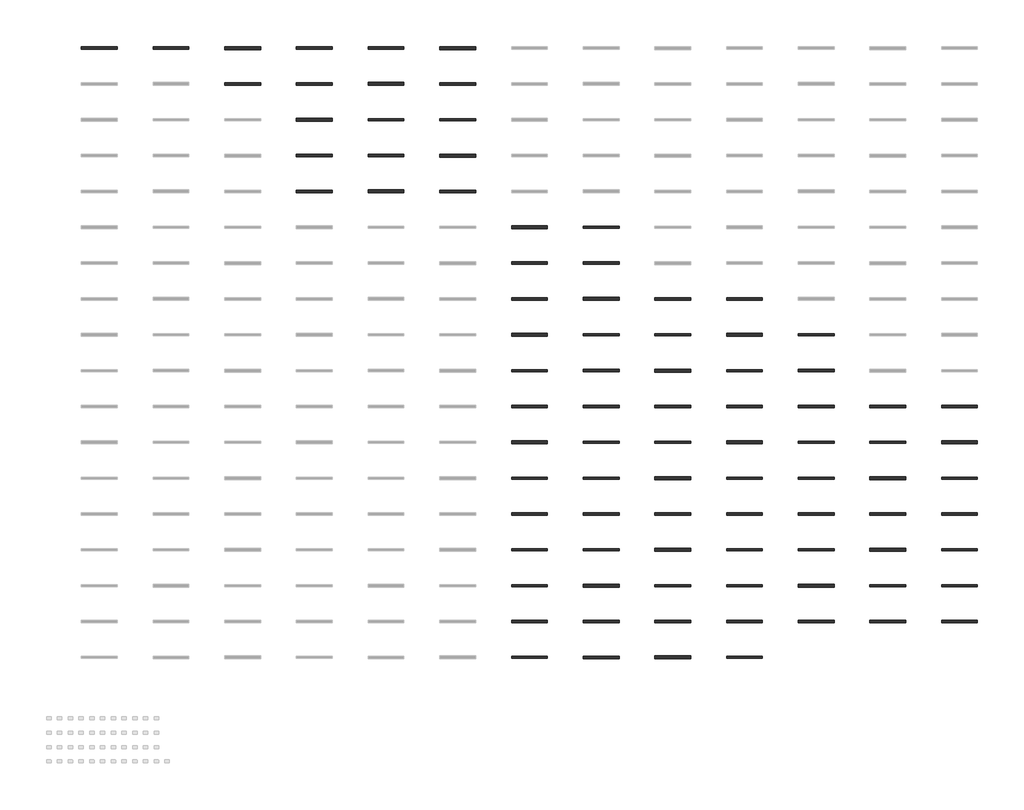
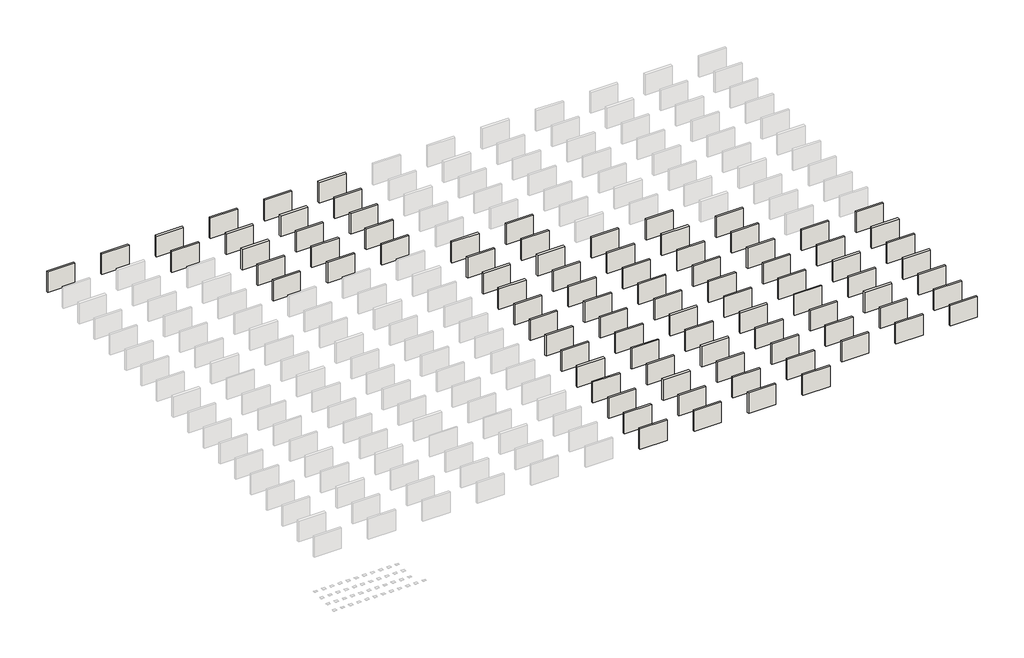
# One storey, part 2 of 3: 90 walls.
"""IFC4 building model written with IfcOpenShell, lengths in millimetres."""

from ifc_helpers import new_model, si_unit, frame, origin, place, context, project, spatial, polyline, outline, extrude, element, save

model = new_model("IFC4")

# Units and contexts
model_context = context("Model", 3, world=origin())
ifc_project = project(units=[si_unit("LENGTHUNIT", "METRE", prefix="MILLI")], contexts=[model_context])

# Site, building, storey
site = spatial("IfcSite", under=ifc_project)
building = spatial("IfcBuilding", under=site)
storey = spatial("IfcBuildingStorey", under=building, Elevation=3048.0)

# Walls
placement = place(None, origin())
element("IfcWall", 1, at=placement, inside=storey, context=model_context, shape_type="SweptSolid", body=[
    extrude(outline(polyline([(-29485.7977715, -35006.1068116), (-32533.7977715, -35006.1068116), (-32533.7977715, -34809.2060103), (-29485.7977715, -34809.2060103), (-29485.7977715, -35006.1068116)])), frame((0.0, 0.0, 3048.0), z_axis=(0.0, 0.0, 1.0), x_axis=(1.0, 0.0, 0.0)), (0.0, 0.0, 1.0), 2438.4),
])
element("IfcWall", 2, at=placement, inside=storey, context=model_context, shape_type="SweptSolid", body=[
    extrude(outline(polyline([(-23389.7977715, -35010.8693116), (-26437.7977715, -35010.8693116), (-26437.7977715, -34804.4435103), (-23389.7977715, -34804.4435103), (-23389.7977715, -35010.8693116)])), frame((0.0, 0.0, 3048.0), z_axis=(0.0, 0.0, 1.0), x_axis=(1.0, 0.0, 0.0)), (0.0, 0.0, 1.0), 2438.4),
])
element("IfcWall", 3, at=placement, inside=storey, context=model_context, shape_type="SweptSolid", body=[
    extrude(outline(polyline([(-17293.7977715, -35036.2693147), (-20341.7977715, -35036.2693147), (-20341.7977715, -34779.0435073), (-17293.7977715, -34779.0435073), (-17293.7977715, -35036.2693147)])), frame((0.0, 0.0, 3048.0), z_axis=(0.0, 0.0, 1.0), x_axis=(1.0, 0.0, 0.0)), (0.0, 0.0, 1.0), 2438.4),
])
element("IfcWall", 4, at=placement, inside=storey, context=model_context, shape_type="SweptSolid", body=[
    extrude(outline(polyline([(-11197.7977715, -35006.1068116), (-14245.7977715, -35006.1068116), (-14245.7977715, -34809.2060103), (-11197.7977715, -34809.2060103), (-11197.7977715, -35006.1068116)])), frame((0.0, 0.0, 3048.0), z_axis=(0.0, 0.0, 1.0), x_axis=(1.0, 0.0, 0.0)), (0.0, 0.0, 1.0), 2438.4),
])
element("IfcWall", 5, at=placement, inside=storey, context=model_context, shape_type="SweptSolid", body=[
    extrude(outline(polyline([(-5101.7977715, -35010.8693116), (-8149.7977715, -35010.8693116), (-8149.7977715, -34804.4435103), (-5101.7977715, -34804.4435103), (-5101.7977715, -35010.8693116)])), frame((0.0, 0.0, 3048.0), z_axis=(0.0, 0.0, 1.0), x_axis=(1.0, 0.0, 0.0)), (0.0, 0.0, 1.0), 2438.4),
])
element("IfcWall", 6, at=placement, inside=storey, context=model_context, shape_type="SweptSolid", body=[
    extrude(outline(polyline([(994.2022285, -35036.2693147), (-2053.7977715, -35036.2693147), (-2053.7977715, -34779.0435073), (994.2022285, -34779.0435073), (994.2022285, -35036.2693147)])), frame((0.0, 0.0, 3048.0), z_axis=(0.0, 0.0, 1.0), x_axis=(1.0, 0.0, 0.0)), (0.0, 0.0, 1.0), 2438.4),
])
element("IfcWall", 7, at=placement, inside=storey, context=model_context, shape_type="SweptSolid", body=[
    extrude(outline(polyline([(-17293.7977715, -38054.1068116), (-20341.7977715, -38054.1068116), (-20341.7977715, -37857.2060103), (-17293.7977715, -37857.2060103), (-17293.7977715, -38054.1068116)])), frame((0.0, 0.0, 3048.0), z_axis=(0.0, 0.0, 1.0), x_axis=(1.0, 0.0, 0.0)), (0.0, 0.0, 1.0), 2438.4),
])
element("IfcWall", 8, at=placement, inside=storey, context=model_context, shape_type="SweptSolid", body=[
    extrude(outline(polyline([(-11197.7977715, -38058.8693116), (-14245.7977715, -38058.8693116), (-14245.7977715, -37852.4435103), (-11197.7977715, -37852.4435103), (-11197.7977715, -38058.8693116)])), frame((0.0, 0.0, 3048.0), z_axis=(0.0, 0.0, 1.0), x_axis=(1.0, 0.0, 0.0)), (0.0, 0.0, 1.0), 2438.4),
])
element("IfcWall", 9, at=placement, inside=storey, context=model_context, shape_type="SweptSolid", body=[
    extrude(outline(polyline([(-5101.7977715, -38084.2693147), (-8149.7977715, -38084.2693147), (-8149.7977715, -37827.0435073), (-5101.7977715, -37827.0435073), (-5101.7977715, -38084.2693147)])), frame((0.0, 0.0, 3048.0), z_axis=(0.0, 0.0, 1.0), x_axis=(1.0, 0.0, 0.0)), (0.0, 0.0, 1.0), 2438.4),
])
element("IfcWall", 10, at=placement, inside=storey, context=model_context, shape_type="SweptSolid", body=[
    extrude(outline(polyline([(994.2022285, -38054.1068116), (-2053.7977715, -38054.1068116), (-2053.7977715, -37857.2060103), (994.2022285, -37857.2060103), (994.2022285, -38054.1068116)])), frame((0.0, 0.0, 3048.0), z_axis=(0.0, 0.0, 1.0), x_axis=(1.0, 0.0, 0.0)), (0.0, 0.0, 1.0), 2438.4),
])
element("IfcWall", 11, at=placement, inside=storey, context=model_context, shape_type="SweptSolid", body=[
    extrude(outline(polyline([(-11197.7977715, -41132.2693147), (-14245.7977715, -41132.2693147), (-14245.7977715, -40875.0435073), (-11197.7977715, -40875.0435073), (-11197.7977715, -41132.2693147)])), frame((0.0, 0.0, 3048.0), z_axis=(0.0, 0.0, 1.0), x_axis=(1.0, 0.0, 0.0)), (0.0, 0.0, 1.0), 2438.4),
])
element("IfcWall", 12, at=placement, inside=storey, context=model_context, shape_type="SweptSolid", body=[
    extrude(outline(polyline([(-5101.7977715, -41102.1068116), (-8149.7977715, -41102.1068116), (-8149.7977715, -40905.2060103), (-5101.7977715, -40905.2060103), (-5101.7977715, -41102.1068116)])), frame((0.0, 0.0, 3048.0), z_axis=(0.0, 0.0, 1.0), x_axis=(1.0, 0.0, 0.0)), (0.0, 0.0, 1.0), 2438.4),
])
element("IfcWall", 13, at=placement, inside=storey, context=model_context, shape_type="SweptSolid", body=[
    extrude(outline(polyline([(994.2022285, -41106.8693116), (-2053.7977715, -41106.8693116), (-2053.7977715, -40900.4435103), (994.2022285, -40900.4435103), (994.2022285, -41106.8693116)])), frame((0.0, 0.0, 3048.0), z_axis=(0.0, 0.0, 1.0), x_axis=(1.0, 0.0, 0.0)), (0.0, 0.0, 1.0), 2438.4),
])
element("IfcWall", 14, at=placement, inside=storey, context=model_context, shape_type="SweptSolid", body=[
    extrude(outline(polyline([(-11197.7977715, -44150.1068116), (-14245.7977715, -44150.1068116), (-14245.7977715, -43953.2060103), (-11197.7977715, -43953.2060103), (-11197.7977715, -44150.1068116)])), frame((0.0, 0.0, 3048.0), z_axis=(0.0, 0.0, 1.0), x_axis=(1.0, 0.0, 0.0)), (0.0, 0.0, 1.0), 2438.4),
])
element("IfcWall", 15, at=placement, inside=storey, context=model_context, shape_type="SweptSolid", body=[
    extrude(outline(polyline([(-5101.7977715, -44154.8693116), (-8149.7977715, -44154.8693116), (-8149.7977715, -43948.4435103), (-5101.7977715, -43948.4435103), (-5101.7977715, -44154.8693116)])), frame((0.0, 0.0, 3048.0), z_axis=(0.0, 0.0, 1.0), x_axis=(1.0, 0.0, 0.0)), (0.0, 0.0, 1.0), 2438.4),
])
element("IfcWall", 16, at=placement, inside=storey, context=model_context, shape_type="SweptSolid", body=[
    extrude(outline(polyline([(994.2022285, -44180.2693147), (-2053.7977715, -44180.2693147), (-2053.7977715, -43923.0435073), (994.2022285, -43923.0435073), (994.2022285, -44180.2693147)])), frame((0.0, 0.0, 3048.0), z_axis=(0.0, 0.0, 1.0), x_axis=(1.0, 0.0, 0.0)), (0.0, 0.0, 1.0), 2438.4),
])
element("IfcWall", 17, at=placement, inside=storey, context=model_context, shape_type="SweptSolid", body=[
    extrude(outline(polyline([(-11197.7977715, -47202.8693116), (-14245.7977715, -47202.8693116), (-14245.7977715, -46996.4435103), (-11197.7977715, -46996.4435103), (-11197.7977715, -47202.8693116)])), frame((0.0, 0.0, 3048.0), z_axis=(0.0, 0.0, 1.0), x_axis=(1.0, 0.0, 0.0)), (0.0, 0.0, 1.0), 2438.4),
])
element("IfcWall", 18, at=placement, inside=storey, context=model_context, shape_type="SweptSolid", body=[
    extrude(outline(polyline([(-5101.7977715, -47228.2693147), (-8149.7977715, -47228.2693147), (-8149.7977715, -46971.0435073), (-5101.7977715, -46971.0435073), (-5101.7977715, -47228.2693147)])), frame((0.0, 0.0, 3048.0), z_axis=(0.0, 0.0, 1.0), x_axis=(1.0, 0.0, 0.0)), (0.0, 0.0, 1.0), 2438.4),
])
element("IfcWall", 19, at=placement, inside=storey, context=model_context, shape_type="SweptSolid", body=[
    extrude(outline(polyline([(994.2022285, -47198.1068116), (-2053.7977715, -47198.1068116), (-2053.7977715, -47001.2060103), (994.2022285, -47001.2060103), (994.2022285, -47198.1068116)])), frame((0.0, 0.0, 3048.0), z_axis=(0.0, 0.0, 1.0), x_axis=(1.0, 0.0, 0.0)), (0.0, 0.0, 1.0), 2438.4),
])
element("IfcWall", 20, at=placement, inside=storey, context=model_context, shape_type="SweptSolid", body=[
    extrude(outline(polyline([(7090.2022285, -50276.2693147), (4042.2022285, -50276.2693147), (4042.2022285, -50019.0435073), (7090.2022285, -50019.0435073), (7090.2022285, -50276.2693147)])), frame((0.0, 0.0, 3048.0), z_axis=(0.0, 0.0, 1.0), x_axis=(1.0, 0.0, 0.0)), (0.0, 0.0, 1.0), 2438.4),
])
element("IfcWall", 21, at=placement, inside=storey, context=model_context, shape_type="SweptSolid", body=[
    extrude(outline(polyline([(13186.2022285, -50246.1068116), (10138.2022285, -50246.1068116), (10138.2022285, -50049.2060103), (13186.2022285, -50049.2060103), (13186.2022285, -50246.1068116)])), frame((0.0, 0.0, 3048.0), z_axis=(0.0, 0.0, 1.0), x_axis=(1.0, 0.0, 0.0)), (0.0, 0.0, 1.0), 2438.4),
])
element("IfcWall", 22, at=placement, inside=storey, context=model_context, shape_type="SweptSolid", body=[
    extrude(outline(polyline([(7090.2022285, -53294.1068116), (4042.2022285, -53294.1068116), (4042.2022285, -53097.2060103), (7090.2022285, -53097.2060103), (7090.2022285, -53294.1068116)])), frame((0.0, 0.0, 3048.0), z_axis=(0.0, 0.0, 1.0), x_axis=(1.0, 0.0, 0.0)), (0.0, 0.0, 1.0), 2438.4),
])
element("IfcWall", 23, at=placement, inside=storey, context=model_context, shape_type="SweptSolid", body=[
    extrude(outline(polyline([(13186.2022285, -53298.8693116), (10138.2022285, -53298.8693116), (10138.2022285, -53092.4435103), (13186.2022285, -53092.4435103), (13186.2022285, -53298.8693116)])), frame((0.0, 0.0, 3048.0), z_axis=(0.0, 0.0, 1.0), x_axis=(1.0, 0.0, 0.0)), (0.0, 0.0, 1.0), 2438.4),
])
element("IfcWall", 24, at=placement, inside=storey, context=model_context, shape_type="SweptSolid", body=[
    extrude(outline(polyline([(7090.2022285, -56346.8693116), (4042.2022285, -56346.8693116), (4042.2022285, -56140.4435103), (7090.2022285, -56140.4435103), (7090.2022285, -56346.8693116)])), frame((0.0, 0.0, 3048.0), z_axis=(0.0, 0.0, 1.0), x_axis=(1.0, 0.0, 0.0)), (0.0, 0.0, 1.0), 2438.4),
])
element("IfcWall", 25, at=placement, inside=storey, context=model_context, shape_type="SweptSolid", body=[
    extrude(outline(polyline([(13186.2022285, -56372.2693147), (10138.2022285, -56372.2693147), (10138.2022285, -56115.0435073), (13186.2022285, -56115.0435073), (13186.2022285, -56372.2693147)])), frame((0.0, 0.0, 3048.0), z_axis=(0.0, 0.0, 1.0), x_axis=(1.0, 0.0, 0.0)), (0.0, 0.0, 1.0), 2438.4),
])
element("IfcWall", 26, at=placement, inside=storey, context=model_context, shape_type="SweptSolid", body=[
    extrude(outline(polyline([(19282.2022285, -56342.1068116), (16234.2022285, -56342.1068116), (16234.2022285, -56145.2060103), (19282.2022285, -56145.2060103), (19282.2022285, -56342.1068116)])), frame((0.0, 0.0, 3048.0), z_axis=(0.0, 0.0, 1.0), x_axis=(1.0, 0.0, 0.0)), (0.0, 0.0, 1.0), 2438.4),
])
element("IfcWall", 27, at=placement, inside=storey, context=model_context, shape_type="SweptSolid", body=[
    extrude(outline(polyline([(25378.2022285, -56346.8693116), (22330.2022285, -56346.8693116), (22330.2022285, -56140.4435103), (25378.2022285, -56140.4435103), (25378.2022285, -56346.8693116)])), frame((0.0, 0.0, 3048.0), z_axis=(0.0, 0.0, 1.0), x_axis=(1.0, 0.0, 0.0)), (0.0, 0.0, 1.0), 2438.4),
])
element("IfcWall", 28, at=placement, inside=storey, context=model_context, shape_type="SweptSolid", body=[
    extrude(outline(polyline([(7090.2022285, -59413.8939146), (4042.2022285, -59413.8939146), (4042.2022285, -59169.4189073), (7090.2022285, -59169.4189073), (7090.2022285, -59413.8939146)])), frame((0.0, 0.0, 3048.0), z_axis=(0.0, 0.0, 1.0), x_axis=(1.0, 0.0, 0.0)), (0.0, 0.0, 1.0), 2438.4),
])
element("IfcWall", 29, at=placement, inside=storey, context=model_context, shape_type="SweptSolid", body=[
    extrude(outline(polyline([(13186.2022285, -59383.7314116), (10138.2022285, -59383.7314116), (10138.2022285, -59199.5814104), (13186.2022285, -59199.5814104), (13186.2022285, -59383.7314116)])), frame((0.0, 0.0, 3048.0), z_axis=(0.0, 0.0, 1.0), x_axis=(1.0, 0.0, 0.0)), (0.0, 0.0, 1.0), 2438.4),
])
element("IfcWall", 30, at=placement, inside=storey, context=model_context, shape_type="SweptSolid", body=[
    extrude(outline(polyline([(19282.2022285, -59388.4939116), (16234.2022285, -59388.4939116), (16234.2022285, -59194.8189104), (19282.2022285, -59194.8189104), (19282.2022285, -59388.4939116)])), frame((0.0, 0.0, 3048.0), z_axis=(0.0, 0.0, 1.0), x_axis=(1.0, 0.0, 0.0)), (0.0, 0.0, 1.0), 2438.4),
])
element("IfcWall", 31, at=placement, inside=storey, context=model_context, shape_type="SweptSolid", body=[
    extrude(outline(polyline([(25378.2022285, -59413.8939146), (22330.2022285, -59413.8939146), (22330.2022285, -59169.4189073), (25378.2022285, -59169.4189073), (25378.2022285, -59413.8939146)])), frame((0.0, 0.0, 3048.0), z_axis=(0.0, 0.0, 1.0), x_axis=(1.0, 0.0, 0.0)), (0.0, 0.0, 1.0), 2438.4),
])
element("IfcWall", 32, at=placement, inside=storey, context=model_context, shape_type="SweptSolid", body=[
    extrude(outline(polyline([(31474.2022285, -59383.7314116), (28426.2022285, -59383.7314116), (28426.2022285, -59199.5814104), (31474.2022285, -59199.5814104), (31474.2022285, -59383.7314116)])), frame((0.0, 0.0, 3048.0), z_axis=(0.0, 0.0, 1.0), x_axis=(1.0, 0.0, 0.0)), (0.0, 0.0, 1.0), 2438.4),
])
element("IfcWall", 33, at=placement, inside=storey, context=model_context, shape_type="SweptSolid", body=[
    extrude(outline(polyline([(7090.2022285, -62431.7314116), (4042.2022285, -62431.7314116), (4042.2022285, -62247.5814104), (7090.2022285, -62247.5814104), (7090.2022285, -62431.7314116)])), frame((0.0, 0.0, 3048.0), z_axis=(0.0, 0.0, 1.0), x_axis=(1.0, 0.0, 0.0)), (0.0, 0.0, 1.0), 2438.4),
])
element("IfcWall", 34, at=placement, inside=storey, context=model_context, shape_type="SweptSolid", body=[
    extrude(outline(polyline([(13186.2022285, -62436.4939116), (10138.2022285, -62436.4939116), (10138.2022285, -62242.8189104), (13186.2022285, -62242.8189104), (13186.2022285, -62436.4939116)])), frame((0.0, 0.0, 3048.0), z_axis=(0.0, 0.0, 1.0), x_axis=(1.0, 0.0, 0.0)), (0.0, 0.0, 1.0), 2438.4),
])
element("IfcWall", 35, at=placement, inside=storey, context=model_context, shape_type="SweptSolid", body=[
    extrude(outline(polyline([(19282.2022285, -62461.8939146), (16234.2022285, -62461.8939146), (16234.2022285, -62217.4189073), (19282.2022285, -62217.4189073), (19282.2022285, -62461.8939146)])), frame((0.0, 0.0, 3048.0), z_axis=(0.0, 0.0, 1.0), x_axis=(1.0, 0.0, 0.0)), (0.0, 0.0, 1.0), 2438.4),
])
element("IfcWall", 36, at=placement, inside=storey, context=model_context, shape_type="SweptSolid", body=[
    extrude(outline(polyline([(25378.2022285, -62431.7314116), (22330.2022285, -62431.7314116), (22330.2022285, -62247.5814104), (25378.2022285, -62247.5814104), (25378.2022285, -62431.7314116)])), frame((0.0, 0.0, 3048.0), z_axis=(0.0, 0.0, 1.0), x_axis=(1.0, 0.0, 0.0)), (0.0, 0.0, 1.0), 2438.4),
])
element("IfcWall", 37, at=placement, inside=storey, context=model_context, shape_type="SweptSolid", body=[
    extrude(outline(polyline([(31474.2022285, -62436.4939116), (28426.2022285, -62436.4939116), (28426.2022285, -62242.8189104), (31474.2022285, -62242.8189104), (31474.2022285, -62436.4939116)])), frame((0.0, 0.0, 3048.0), z_axis=(0.0, 0.0, 1.0), x_axis=(1.0, 0.0, 0.0)), (0.0, 0.0, 1.0), 2438.4),
])
element("IfcWall", 38, at=placement, inside=storey, context=model_context, shape_type="SweptSolid", body=[
    extrude(outline(polyline([(7090.2022285, -65484.4939116), (4042.2022285, -65484.4939116), (4042.2022285, -65290.8189104), (7090.2022285, -65290.8189104), (7090.2022285, -65484.4939116)])), frame((0.0, 0.0, 3048.0), z_axis=(0.0, 0.0, 1.0), x_axis=(1.0, 0.0, 0.0)), (0.0, 0.0, 1.0), 2438.4),
])
element("IfcWall", 39, at=placement, inside=storey, context=model_context, shape_type="SweptSolid", body=[
    extrude(outline(polyline([(13186.2022285, -65509.8939146), (10138.2022285, -65509.8939146), (10138.2022285, -65265.4189073), (13186.2022285, -65265.4189073), (13186.2022285, -65509.8939146)])), frame((0.0, 0.0, 3048.0), z_axis=(0.0, 0.0, 1.0), x_axis=(1.0, 0.0, 0.0)), (0.0, 0.0, 1.0), 2438.4),
])
element("IfcWall", 40, at=placement, inside=storey, context=model_context, shape_type="SweptSolid", body=[
    extrude(outline(polyline([(19282.2022285, -65479.7314116), (16234.2022285, -65479.7314116), (16234.2022285, -65295.5814104), (19282.2022285, -65295.5814104), (19282.2022285, -65479.7314116)])), frame((0.0, 0.0, 3048.0), z_axis=(0.0, 0.0, 1.0), x_axis=(1.0, 0.0, 0.0)), (0.0, 0.0, 1.0), 2438.4),
])
element("IfcWall", 41, at=placement, inside=storey, context=model_context, shape_type="SweptSolid", body=[
    extrude(outline(polyline([(25378.2022285, -65484.4939116), (22330.2022285, -65484.4939116), (22330.2022285, -65290.8189104), (25378.2022285, -65290.8189104), (25378.2022285, -65484.4939116)])), frame((0.0, 0.0, 3048.0), z_axis=(0.0, 0.0, 1.0), x_axis=(1.0, 0.0, 0.0)), (0.0, 0.0, 1.0), 2438.4),
])
element("IfcWall", 42, at=placement, inside=storey, context=model_context, shape_type="SweptSolid", body=[
    extrude(outline(polyline([(31474.2022285, -65509.8939146), (28426.2022285, -65509.8939146), (28426.2022285, -65265.4189073), (31474.2022285, -65265.4189073), (31474.2022285, -65509.8939146)])), frame((0.0, 0.0, 3048.0), z_axis=(0.0, 0.0, 1.0), x_axis=(1.0, 0.0, 0.0)), (0.0, 0.0, 1.0), 2438.4),
])
element("IfcWall", 43, at=placement, inside=storey, context=model_context, shape_type="SweptSolid", body=[
    extrude(outline(polyline([(37570.2022285, -65479.7314116), (34522.2022285, -65479.7314116), (34522.2022285, -65295.5814104), (37570.2022285, -65295.5814104), (37570.2022285, -65479.7314116)])), frame((0.0, 0.0, 3048.0), z_axis=(0.0, 0.0, 1.0), x_axis=(1.0, 0.0, 0.0)), (0.0, 0.0, 1.0), 2438.4),
])
element("IfcWall", 44, at=placement, inside=storey, context=model_context, shape_type="SweptSolid", body=[
    extrude(outline(polyline([(43666.2022285, -65484.4939116), (40618.2022285, -65484.4939116), (40618.2022285, -65290.8189104), (43666.2022285, -65290.8189104), (43666.2022285, -65484.4939116)])), frame((0.0, 0.0, 3048.0), z_axis=(0.0, 0.0, 1.0), x_axis=(1.0, 0.0, 0.0)), (0.0, 0.0, 1.0), 2438.4),
])
element("IfcWall", 45, at=placement, inside=storey, context=model_context, shape_type="SweptSolid", body=[
    extrude(outline(polyline([(7090.2022285, -68557.8939146), (4042.2022285, -68557.8939146), (4042.2022285, -68313.4189073), (7090.2022285, -68313.4189073), (7090.2022285, -68557.8939146)])), frame((0.0, 0.0, 3048.0), z_axis=(0.0, 0.0, 1.0), x_axis=(1.0, 0.0, 0.0)), (0.0, 0.0, 1.0), 2438.4),
])
element("IfcWall", 46, at=placement, inside=storey, context=model_context, shape_type="SweptSolid", body=[
    extrude(outline(polyline([(13186.2022285, -68527.7314116), (10138.2022285, -68527.7314116), (10138.2022285, -68343.5814104), (13186.2022285, -68343.5814104), (13186.2022285, -68527.7314116)])), frame((0.0, 0.0, 3048.0), z_axis=(0.0, 0.0, 1.0), x_axis=(1.0, 0.0, 0.0)), (0.0, 0.0, 1.0), 2438.4),
])
element("IfcWall", 47, at=placement, inside=storey, context=model_context, shape_type="SweptSolid", body=[
    extrude(outline(polyline([(19282.2022285, -68532.4939116), (16234.2022285, -68532.4939116), (16234.2022285, -68338.8189104), (19282.2022285, -68338.8189104), (19282.2022285, -68532.4939116)])), frame((0.0, 0.0, 3048.0), z_axis=(0.0, 0.0, 1.0), x_axis=(1.0, 0.0, 0.0)), (0.0, 0.0, 1.0), 2438.4),
])
element("IfcWall", 48, at=placement, inside=storey, context=model_context, shape_type="SweptSolid", body=[
    extrude(outline(polyline([(25378.2022285, -68557.8939146), (22330.2022285, -68557.8939146), (22330.2022285, -68313.4189073), (25378.2022285, -68313.4189073), (25378.2022285, -68557.8939146)])), frame((0.0, 0.0, 3048.0), z_axis=(0.0, 0.0, 1.0), x_axis=(1.0, 0.0, 0.0)), (0.0, 0.0, 1.0), 2438.4),
])
element("IfcWall", 49, at=placement, inside=storey, context=model_context, shape_type="SweptSolid", body=[
    extrude(outline(polyline([(31474.2022285, -68527.7314116), (28426.2022285, -68527.7314116), (28426.2022285, -68343.5814104), (31474.2022285, -68343.5814104), (31474.2022285, -68527.7314116)])), frame((0.0, 0.0, 3048.0), z_axis=(0.0, 0.0, 1.0), x_axis=(1.0, 0.0, 0.0)), (0.0, 0.0, 1.0), 2438.4),
])
element("IfcWall", 50, at=placement, inside=storey, context=model_context, shape_type="SweptSolid", body=[
    extrude(outline(polyline([(37570.2022285, -68532.4939116), (34522.2022285, -68532.4939116), (34522.2022285, -68338.8189104), (37570.2022285, -68338.8189104), (37570.2022285, -68532.4939116)])), frame((0.0, 0.0, 3048.0), z_axis=(0.0, 0.0, 1.0), x_axis=(1.0, 0.0, 0.0)), (0.0, 0.0, 1.0), 2438.4),
])
element("IfcWall", 51, at=placement, inside=storey, context=model_context, shape_type="SweptSolid", body=[
    extrude(outline(polyline([(43666.2022285, -68557.8939146), (40618.2022285, -68557.8939146), (40618.2022285, -68313.4189073), (43666.2022285, -68313.4189073), (43666.2022285, -68557.8939146)])), frame((0.0, 0.0, 3048.0), z_axis=(0.0, 0.0, 1.0), x_axis=(1.0, 0.0, 0.0)), (0.0, 0.0, 1.0), 2438.4),
])
element("IfcWall", 52, at=placement, inside=storey, context=model_context, shape_type="SweptSolid", body=[
    extrude(outline(polyline([(7090.2022285, -71575.7314116), (4042.2022285, -71575.7314116), (4042.2022285, -71391.5814104), (7090.2022285, -71391.5814104), (7090.2022285, -71575.7314116)])), frame((0.0, 0.0, 3048.0), z_axis=(0.0, 0.0, 1.0), x_axis=(1.0, 0.0, 0.0)), (0.0, 0.0, 1.0), 2438.4),
])
element("IfcWall", 53, at=placement, inside=storey, context=model_context, shape_type="SweptSolid", body=[
    extrude(outline(polyline([(13186.2022285, -71580.4939116), (10138.2022285, -71580.4939116), (10138.2022285, -71386.8189104), (13186.2022285, -71386.8189104), (13186.2022285, -71580.4939116)])), frame((0.0, 0.0, 3048.0), z_axis=(0.0, 0.0, 1.0), x_axis=(1.0, 0.0, 0.0)), (0.0, 0.0, 1.0), 2438.4),
])
element("IfcWall", 54, at=placement, inside=storey, context=model_context, shape_type="SweptSolid", body=[
    extrude(outline(polyline([(19282.2022285, -71605.8939146), (16234.2022285, -71605.8939146), (16234.2022285, -71361.4189073), (19282.2022285, -71361.4189073), (19282.2022285, -71605.8939146)])), frame((0.0, 0.0, 3048.0), z_axis=(0.0, 0.0, 1.0), x_axis=(1.0, 0.0, 0.0)), (0.0, 0.0, 1.0), 2438.4),
])
element("IfcWall", 55, at=placement, inside=storey, context=model_context, shape_type="SweptSolid", body=[
    extrude(outline(polyline([(25378.2022285, -71575.7314116), (22330.2022285, -71575.7314116), (22330.2022285, -71391.5814104), (25378.2022285, -71391.5814104), (25378.2022285, -71575.7314116)])), frame((0.0, 0.0, 3048.0), z_axis=(0.0, 0.0, 1.0), x_axis=(1.0, 0.0, 0.0)), (0.0, 0.0, 1.0), 2438.4),
])
element("IfcWall", 56, at=placement, inside=storey, context=model_context, shape_type="SweptSolid", body=[
    extrude(outline(polyline([(31474.2022285, -71580.4939116), (28426.2022285, -71580.4939116), (28426.2022285, -71386.8189104), (31474.2022285, -71386.8189104), (31474.2022285, -71580.4939116)])), frame((0.0, 0.0, 3048.0), z_axis=(0.0, 0.0, 1.0), x_axis=(1.0, 0.0, 0.0)), (0.0, 0.0, 1.0), 2438.4),
])
element("IfcWall", 57, at=placement, inside=storey, context=model_context, shape_type="SweptSolid", body=[
    extrude(outline(polyline([(37570.2022285, -71605.8939146), (34522.2022285, -71605.8939146), (34522.2022285, -71361.4189073), (37570.2022285, -71361.4189073), (37570.2022285, -71605.8939146)])), frame((0.0, 0.0, 3048.0), z_axis=(0.0, 0.0, 1.0), x_axis=(1.0, 0.0, 0.0)), (0.0, 0.0, 1.0), 2438.4),
])
element("IfcWall", 58, at=placement, inside=storey, context=model_context, shape_type="SweptSolid", body=[
    extrude(outline(polyline([(43666.2022285, -71575.7314116), (40618.2022285, -71575.7314116), (40618.2022285, -71391.5814104), (43666.2022285, -71391.5814104), (43666.2022285, -71575.7314116)])), frame((0.0, 0.0, 3048.0), z_axis=(0.0, 0.0, 1.0), x_axis=(1.0, 0.0, 0.0)), (0.0, 0.0, 1.0), 2438.4),
])
element("IfcWall", 59, at=placement, inside=storey, context=model_context, shape_type="SweptSolid", body=[
    extrude(outline(polyline([(7090.2022285, -74653.8939146), (4042.2022285, -74653.8939146), (4042.2022285, -74409.4189073), (7090.2022285, -74409.4189073), (7090.2022285, -74653.8939146)])), frame((0.0, 0.0, 3048.0), z_axis=(0.0, 0.0, 1.0), x_axis=(1.0, 0.0, 0.0)), (0.0, 0.0, 1.0), 2438.4),
])
element("IfcWall", 60, at=placement, inside=storey, context=model_context, shape_type="SweptSolid", body=[
    extrude(outline(polyline([(13186.2022285, -74623.7314116), (10138.2022285, -74623.7314116), (10138.2022285, -74439.5814104), (13186.2022285, -74439.5814104), (13186.2022285, -74623.7314116)])), frame((0.0, 0.0, 3048.0), z_axis=(0.0, 0.0, 1.0), x_axis=(1.0, 0.0, 0.0)), (0.0, 0.0, 1.0), 2438.4),
])
element("IfcWall", 61, at=placement, inside=storey, context=model_context, shape_type="SweptSolid", body=[
    extrude(outline(polyline([(19282.2022285, -74628.4939116), (16234.2022285, -74628.4939116), (16234.2022285, -74434.8189104), (19282.2022285, -74434.8189104), (19282.2022285, -74628.4939116)])), frame((0.0, 0.0, 3048.0), z_axis=(0.0, 0.0, 1.0), x_axis=(1.0, 0.0, 0.0)), (0.0, 0.0, 1.0), 2438.4),
])
element("IfcWall", 62, at=placement, inside=storey, context=model_context, shape_type="SweptSolid", body=[
    extrude(outline(polyline([(25378.2022285, -74653.8939146), (22330.2022285, -74653.8939146), (22330.2022285, -74409.4189073), (25378.2022285, -74409.4189073), (25378.2022285, -74653.8939146)])), frame((0.0, 0.0, 3048.0), z_axis=(0.0, 0.0, 1.0), x_axis=(1.0, 0.0, 0.0)), (0.0, 0.0, 1.0), 2438.4),
])
element("IfcWall", 63, at=placement, inside=storey, context=model_context, shape_type="SweptSolid", body=[
    extrude(outline(polyline([(31474.2022285, -74623.7314116), (28426.2022285, -74623.7314116), (28426.2022285, -74439.5814104), (31474.2022285, -74439.5814104), (31474.2022285, -74623.7314116)])), frame((0.0, 0.0, 3048.0), z_axis=(0.0, 0.0, 1.0), x_axis=(1.0, 0.0, 0.0)), (0.0, 0.0, 1.0), 2438.4),
])
element("IfcWall", 64, at=placement, inside=storey, context=model_context, shape_type="SweptSolid", body=[
    extrude(outline(polyline([(37570.2022285, -74628.4939116), (34522.2022285, -74628.4939116), (34522.2022285, -74434.8189104), (37570.2022285, -74434.8189104), (37570.2022285, -74628.4939116)])), frame((0.0, 0.0, 3048.0), z_axis=(0.0, 0.0, 1.0), x_axis=(1.0, 0.0, 0.0)), (0.0, 0.0, 1.0), 2438.4),
])
element("IfcWall", 65, at=placement, inside=storey, context=model_context, shape_type="SweptSolid", body=[
    extrude(outline(polyline([(43666.2022285, -74653.8939146), (40618.2022285, -74653.8939146), (40618.2022285, -74409.4189073), (43666.2022285, -74409.4189073), (43666.2022285, -74653.8939146)])), frame((0.0, 0.0, 3048.0), z_axis=(0.0, 0.0, 1.0), x_axis=(1.0, 0.0, 0.0)), (0.0, 0.0, 1.0), 2438.4),
])
element("IfcWall", 66, at=placement, inside=storey, context=model_context, shape_type="SweptSolid", body=[
    extrude(outline(polyline([(7090.2022285, -77671.7314116), (4042.2022285, -77671.7314116), (4042.2022285, -77487.5814104), (7090.2022285, -77487.5814104), (7090.2022285, -77671.7314116)])), frame((0.0, 0.0, 3048.0), z_axis=(0.0, 0.0, 1.0), x_axis=(1.0, 0.0, 0.0)), (0.0, 0.0, 1.0), 2438.4),
])
element("IfcWall", 67, at=placement, inside=storey, context=model_context, shape_type="SweptSolid", body=[
    extrude(outline(polyline([(13186.2022285, -77676.4939116), (10138.2022285, -77676.4939116), (10138.2022285, -77482.8189104), (13186.2022285, -77482.8189104), (13186.2022285, -77676.4939116)])), frame((0.0, 0.0, 3048.0), z_axis=(0.0, 0.0, 1.0), x_axis=(1.0, 0.0, 0.0)), (0.0, 0.0, 1.0), 2438.4),
])
element("IfcWall", 68, at=placement, inside=storey, context=model_context, shape_type="SweptSolid", body=[
    extrude(outline(polyline([(19282.2022285, -77701.8939146), (16234.2022285, -77701.8939146), (16234.2022285, -77457.4189073), (19282.2022285, -77457.4189073), (19282.2022285, -77701.8939146)])), frame((0.0, 0.0, 3048.0), z_axis=(0.0, 0.0, 1.0), x_axis=(1.0, 0.0, 0.0)), (0.0, 0.0, 1.0), 2438.4),
])
element("IfcWall", 69, at=placement, inside=storey, context=model_context, shape_type="SweptSolid", body=[
    extrude(outline(polyline([(25378.2022285, -77671.7314116), (22330.2022285, -77671.7314116), (22330.2022285, -77487.5814104), (25378.2022285, -77487.5814104), (25378.2022285, -77671.7314116)])), frame((0.0, 0.0, 3048.0), z_axis=(0.0, 0.0, 1.0), x_axis=(1.0, 0.0, 0.0)), (0.0, 0.0, 1.0), 2438.4),
])
element("IfcWall", 70, at=placement, inside=storey, context=model_context, shape_type="SweptSolid", body=[
    extrude(outline(polyline([(31474.2022285, -77676.4939116), (28426.2022285, -77676.4939116), (28426.2022285, -77482.8189104), (31474.2022285, -77482.8189104), (31474.2022285, -77676.4939116)])), frame((0.0, 0.0, 3048.0), z_axis=(0.0, 0.0, 1.0), x_axis=(1.0, 0.0, 0.0)), (0.0, 0.0, 1.0), 2438.4),
])
element("IfcWall", 71, at=placement, inside=storey, context=model_context, shape_type="SweptSolid", body=[
    extrude(outline(polyline([(37570.2022285, -77701.8939146), (34522.2022285, -77701.8939146), (34522.2022285, -77457.4189073), (37570.2022285, -77457.4189073), (37570.2022285, -77701.8939146)])), frame((0.0, 0.0, 3048.0), z_axis=(0.0, 0.0, 1.0), x_axis=(1.0, 0.0, 0.0)), (0.0, 0.0, 1.0), 2438.4),
])
element("IfcWall", 72, at=placement, inside=storey, context=model_context, shape_type="SweptSolid", body=[
    extrude(outline(polyline([(43666.2022285, -77671.7314116), (40618.2022285, -77671.7314116), (40618.2022285, -77487.5814104), (43666.2022285, -77487.5814104), (43666.2022285, -77671.7314116)])), frame((0.0, 0.0, 3048.0), z_axis=(0.0, 0.0, 1.0), x_axis=(1.0, 0.0, 0.0)), (0.0, 0.0, 1.0), 2438.4),
])
element("IfcWall", 73, at=placement, inside=storey, context=model_context, shape_type="SweptSolid", body=[
    extrude(outline(polyline([(7090.2022285, -80724.4939116), (4042.2022285, -80724.4939116), (4042.2022285, -80530.8189104), (7090.2022285, -80530.8189104), (7090.2022285, -80724.4939116)])), frame((0.0, 0.0, 3048.0), z_axis=(0.0, 0.0, 1.0), x_axis=(1.0, 0.0, 0.0)), (0.0, 0.0, 1.0), 2438.4),
])
element("IfcWall", 74, at=placement, inside=storey, context=model_context, shape_type="SweptSolid", body=[
    extrude(outline(polyline([(13186.2022285, -80749.8939146), (10138.2022285, -80749.8939146), (10138.2022285, -80505.4189073), (13186.2022285, -80505.4189073), (13186.2022285, -80749.8939146)])), frame((0.0, 0.0, 3048.0), z_axis=(0.0, 0.0, 1.0), x_axis=(1.0, 0.0, 0.0)), (0.0, 0.0, 1.0), 2438.4),
])
element("IfcWall", 75, at=placement, inside=storey, context=model_context, shape_type="SweptSolid", body=[
    extrude(outline(polyline([(19282.2022285, -80719.7314116), (16234.2022285, -80719.7314116), (16234.2022285, -80535.5814104), (19282.2022285, -80535.5814104), (19282.2022285, -80719.7314116)])), frame((0.0, 0.0, 3048.0), z_axis=(0.0, 0.0, 1.0), x_axis=(1.0, 0.0, 0.0)), (0.0, 0.0, 1.0), 2438.4),
])
element("IfcWall", 76, at=placement, inside=storey, context=model_context, shape_type="SweptSolid", body=[
    extrude(outline(polyline([(25378.2022285, -80724.4939116), (22330.2022285, -80724.4939116), (22330.2022285, -80530.8189104), (25378.2022285, -80530.8189104), (25378.2022285, -80724.4939116)])), frame((0.0, 0.0, 3048.0), z_axis=(0.0, 0.0, 1.0), x_axis=(1.0, 0.0, 0.0)), (0.0, 0.0, 1.0), 2438.4),
])
element("IfcWall", 77, at=placement, inside=storey, context=model_context, shape_type="SweptSolid", body=[
    extrude(outline(polyline([(31474.2022285, -80749.8939146), (28426.2022285, -80749.8939146), (28426.2022285, -80505.4189073), (31474.2022285, -80505.4189073), (31474.2022285, -80749.8939146)])), frame((0.0, 0.0, 3048.0), z_axis=(0.0, 0.0, 1.0), x_axis=(1.0, 0.0, 0.0)), (0.0, 0.0, 1.0), 2438.4),
])
element("IfcWall", 78, at=placement, inside=storey, context=model_context, shape_type="SweptSolid", body=[
    extrude(outline(polyline([(37570.2022285, -80719.7314116), (34522.2022285, -80719.7314116), (34522.2022285, -80535.5814104), (37570.2022285, -80535.5814104), (37570.2022285, -80719.7314116)])), frame((0.0, 0.0, 3048.0), z_axis=(0.0, 0.0, 1.0), x_axis=(1.0, 0.0, 0.0)), (0.0, 0.0, 1.0), 2438.4),
])
element("IfcWall", 79, at=placement, inside=storey, context=model_context, shape_type="SweptSolid", body=[
    extrude(outline(polyline([(43666.2022285, -80724.4939116), (40618.2022285, -80724.4939116), (40618.2022285, -80530.8189104), (43666.2022285, -80530.8189104), (43666.2022285, -80724.4939116)])), frame((0.0, 0.0, 3048.0), z_axis=(0.0, 0.0, 1.0), x_axis=(1.0, 0.0, 0.0)), (0.0, 0.0, 1.0), 2438.4),
])
element("IfcWall", 80, at=placement, inside=storey, context=model_context, shape_type="SweptSolid", body=[
    extrude(outline(polyline([(7090.2022285, -83797.8939146), (4042.2022285, -83797.8939146), (4042.2022285, -83553.4189073), (7090.2022285, -83553.4189073), (7090.2022285, -83797.8939146)])), frame((0.0, 0.0, 3048.0), z_axis=(0.0, 0.0, 1.0), x_axis=(1.0, 0.0, 0.0)), (0.0, 0.0, 1.0), 2438.4),
])
element("IfcWall", 81, at=placement, inside=storey, context=model_context, shape_type="SweptSolid", body=[
    extrude(outline(polyline([(13186.2022285, -83767.7314116), (10138.2022285, -83767.7314116), (10138.2022285, -83583.5814104), (13186.2022285, -83583.5814104), (13186.2022285, -83767.7314116)])), frame((0.0, 0.0, 3048.0), z_axis=(0.0, 0.0, 1.0), x_axis=(1.0, 0.0, 0.0)), (0.0, 0.0, 1.0), 2438.4),
])
element("IfcWall", 82, at=placement, inside=storey, context=model_context, shape_type="SweptSolid", body=[
    extrude(outline(polyline([(19282.2022285, -83772.4939116), (16234.2022285, -83772.4939116), (16234.2022285, -83578.8189104), (19282.2022285, -83578.8189104), (19282.2022285, -83772.4939116)])), frame((0.0, 0.0, 3048.0), z_axis=(0.0, 0.0, 1.0), x_axis=(1.0, 0.0, 0.0)), (0.0, 0.0, 1.0), 2438.4),
])
element("IfcWall", 83, at=placement, inside=storey, context=model_context, shape_type="SweptSolid", body=[
    extrude(outline(polyline([(25378.2022285, -83797.8939146), (22330.2022285, -83797.8939146), (22330.2022285, -83553.4189073), (25378.2022285, -83553.4189073), (25378.2022285, -83797.8939146)])), frame((0.0, 0.0, 3048.0), z_axis=(0.0, 0.0, 1.0), x_axis=(1.0, 0.0, 0.0)), (0.0, 0.0, 1.0), 2438.4),
])
element("IfcWall", 84, at=placement, inside=storey, context=model_context, shape_type="SweptSolid", body=[
    extrude(outline(polyline([(31474.2022285, -83767.7314116), (28426.2022285, -83767.7314116), (28426.2022285, -83583.5814104), (31474.2022285, -83583.5814104), (31474.2022285, -83767.7314116)])), frame((0.0, 0.0, 3048.0), z_axis=(0.0, 0.0, 1.0), x_axis=(1.0, 0.0, 0.0)), (0.0, 0.0, 1.0), 2438.4),
])
element("IfcWall", 85, at=placement, inside=storey, context=model_context, shape_type="SweptSolid", body=[
    extrude(outline(polyline([(37570.2022285, -83772.4939116), (34522.2022285, -83772.4939116), (34522.2022285, -83578.8189104), (37570.2022285, -83578.8189104), (37570.2022285, -83772.4939116)])), frame((0.0, 0.0, 3048.0), z_axis=(0.0, 0.0, 1.0), x_axis=(1.0, 0.0, 0.0)), (0.0, 0.0, 1.0), 2438.4),
])
element("IfcWall", 86, at=placement, inside=storey, context=model_context, shape_type="SweptSolid", body=[
    extrude(outline(polyline([(43666.2022285, -83797.8939146), (40618.2022285, -83797.8939146), (40618.2022285, -83553.4189073), (43666.2022285, -83553.4189073), (43666.2022285, -83797.8939146)])), frame((0.0, 0.0, 3048.0), z_axis=(0.0, 0.0, 1.0), x_axis=(1.0, 0.0, 0.0)), (0.0, 0.0, 1.0), 2438.4),
])
element("IfcWall", 87, at=placement, inside=storey, context=model_context, shape_type="SweptSolid", body=[
    extrude(outline(polyline([(7090.2022285, -86815.7314116), (4042.2022285, -86815.7314116), (4042.2022285, -86631.5814104), (7090.2022285, -86631.5814104), (7090.2022285, -86815.7314116)])), frame((0.0, 0.0, 3048.0), z_axis=(0.0, 0.0, 1.0), x_axis=(1.0, 0.0, 0.0)), (0.0, 0.0, 1.0), 2438.4),
])
element("IfcWall", 88, at=placement, inside=storey, context=model_context, shape_type="SweptSolid", body=[
    extrude(outline(polyline([(13186.2022285, -86820.4939116), (10138.2022285, -86820.4939116), (10138.2022285, -86626.8189104), (13186.2022285, -86626.8189104), (13186.2022285, -86820.4939116)])), frame((0.0, 0.0, 3048.0), z_axis=(0.0, 0.0, 1.0), x_axis=(1.0, 0.0, 0.0)), (0.0, 0.0, 1.0), 2438.4),
])
element("IfcWall", 89, at=placement, inside=storey, context=model_context, shape_type="SweptSolid", body=[
    extrude(outline(polyline([(19282.2022285, -86845.8939146), (16234.2022285, -86845.8939146), (16234.2022285, -86601.4189073), (19282.2022285, -86601.4189073), (19282.2022285, -86845.8939146)])), frame((0.0, 0.0, 3048.0), z_axis=(0.0, 0.0, 1.0), x_axis=(1.0, 0.0, 0.0)), (0.0, 0.0, 1.0), 2438.4),
])
element("IfcWall", 90, at=placement, inside=storey, context=model_context, shape_type="SweptSolid", body=[
    extrude(outline(polyline([(25378.2022285, -86815.7314116), (22330.2022285, -86815.7314116), (22330.2022285, -86631.5814104), (25378.2022285, -86631.5814104), (25378.2022285, -86815.7314116)])), frame((0.0, 0.0, 3048.0), z_axis=(0.0, 0.0, 1.0), x_axis=(1.0, 0.0, 0.0)), (0.0, 0.0, 1.0), 2438.4),
])

save(model, "model.ifc")
